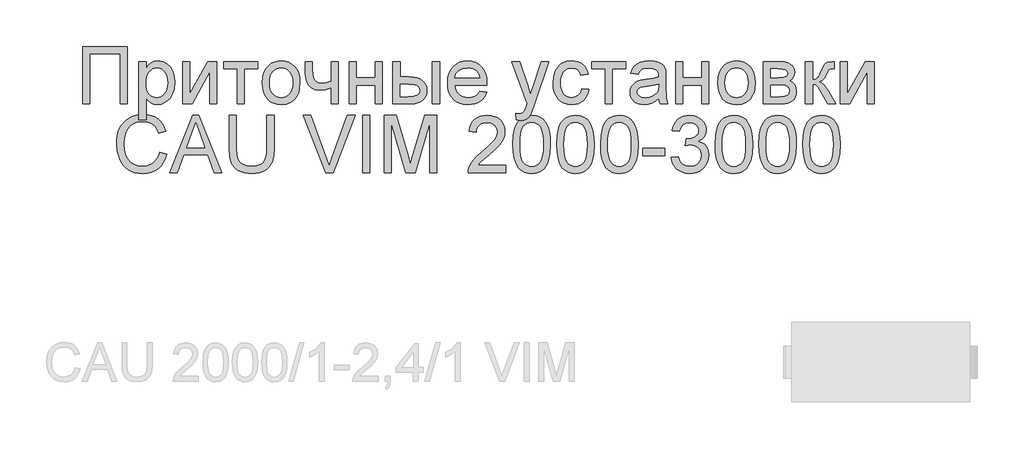
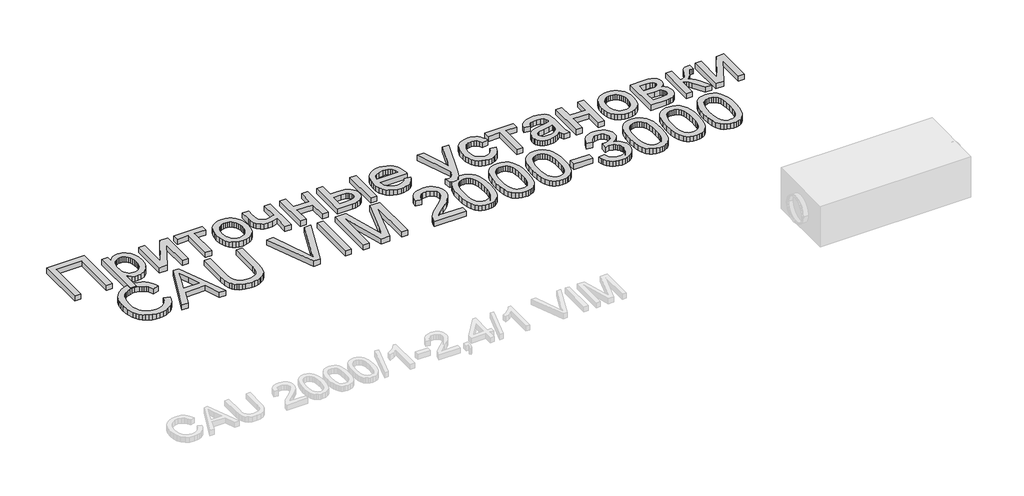
# One storey, part 65 of 74: 1 proxy.
"""IFC4 building model written with IfcOpenShell, lengths in millimetres."""

from ifc_helpers import new_model, si_unit, origin, origin_with_axes, place, context, project, spatial, polyline, outline, extrude, element, save

model = new_model("IFC4")

# Units and contexts
model_context = context("Model", 3, world=origin())
ifc_project = project(units=[si_unit("LENGTHUNIT", "METRE", prefix="MILLI")], contexts=[model_context])

# Site, building, storey
site = spatial("IfcSite", under=ifc_project)
building = spatial("IfcBuilding", under=site)
storey = spatial("IfcBuildingStorey", under=building, Elevation=0.0)

# Proxy
placement = place(None, origin())
element("IfcBuildingElementProxy", 1, Name="Generic Models", at=placement, inside=storey, context=model_context, shape_type="SweptSolid", body=[
    extrude(outline(polyline([(34711.9197938, -1277.4716513), (35063.2136554, -1277.4716513), (35063.2136554, -1727.1277941), (35007.0066376, -1727.1277941), (35007.0066376, -1333.6786691), (34768.1268117, -1333.6786691), (34768.1268117, -1727.1277941), (34711.9197938, -1727.1277941), (34711.9197938, -1277.4716513)])), origin_with_axes(), (0.0, 0.0, 1.0), 50.0),
    extrude(outline(polyline([(35154.5500594, -1853.5935843), (35154.5500594, -1396.9115642), (35210.7570773, -1396.9115642), (35210.7570773, -1452.0207887), (35229.0902257, -1424.8366817), (35249.6189607, -1405.4194624), (35273.550855, -1393.7691308), (35302.0934813, -1389.885687), (35340.1045749, -1395.3197639), (35373.3402676, -1411.6219947), (35400.4008729, -1437.8043653), (35419.8867043, -1472.8788618), (35431.6605376, -1514.2931147), (35435.5851487, -1559.4947545), (35431.1528082, -1607.5643794), (35417.8557866, -1650.5567102), (35396.1194789, -1686.2898827), (35366.36928, -1712.5820326), (35331.7201784, -1728.7607616), (35295.2871627, -1734.1536713), (35269.4478525, -1730.5446758), (35246.3804704, -1719.7176892), (35226.6339131, -1703.3742912), (35210.7570773, -1683.2160614), (35210.7570773, -1853.5935843), (35154.5500594, -1853.5935843)]), holes=[polyline([(35210.7570773, -1564.6543831), (35212.2768349, -1591.7424332), (35216.8361078, -1615.0430964), (35224.4348959, -1634.5563726), (35235.0731993, -1650.2822619), (35247.8796444, -1662.3854332), (35261.982858, -1671.0305556), (35277.3828398, -1676.217629), (35294.0795901, -1677.9466535), (35311.0164826, -1676.1558781), (35326.697774, -1670.7835521), (35341.1234643, -1661.8296753), (35354.2935535, -1649.2942479), (35365.2680561, -1632.9988783), (35373.1069865, -1612.7651752), (35377.8103448, -1588.5931386), (35379.3781308, -1560.4827685), (35377.8480814, -1533.6279995), (35373.2579331, -1510.3685036), (35365.6076859, -1490.7042808), (35354.8973399, -1474.6353311), (35342.0600193, -1462.1479321), (35328.0288484, -1453.2283614), (35312.8038273, -1447.876619), (35296.384956, -1446.0927048), (35280.0175438, -1447.9898289), (35264.6175619, -1453.6812011), (35250.1850104, -1463.1668215), (35236.7198892, -1476.4466901), (35225.361159, -1493.3424153), (35217.2477803, -1513.6756059), (35212.379753, -1537.4462619), (35210.7570773, -1564.6543831)])]), origin_with_axes(), (0.0, 0.0, 1.0), 50.0),
    extrude(outline(polyline([(35498.8180438, -1396.9115642), (35555.0250616, -1396.9115642), (35555.0250616, -1648.7453512), (35693.127461, -1396.9115642), (35765.8013786, -1396.9115642), (35765.8013786, -1727.1277941), (35709.5943607, -1727.1277941), (35709.5943607, -1476.8309177), (35572.370196, -1727.1277941), (35498.8180438, -1727.1277941), (35498.8180438, -1396.9115642)])), origin_with_axes(), (0.0, 0.0, 1.0), 50.0),
    extrude(outline(polyline([(35822.0083964, -1396.9115642), (36088.9917312, -1396.9115642), (36088.9917312, -1453.1185821), (35983.6035727, -1453.1185821), (35983.6035727, -1727.1277941), (35927.3965549, -1727.1277941), (35927.3965549, -1453.1185821), (35822.0083964, -1453.1185821), (35822.0083964, -1396.9115642)])), origin_with_axes(), (0.0, 0.0, 1.0), 50.0),
    extrude(outline(polyline([(36124.1211174, -1562.0196791), (36127.1606326, -1519.2537682), (36136.2791784, -1482.4022188), (36151.4767546, -1451.4650309), (36172.7533613, -1426.4422044), (36194.1740534, -1410.4487281), (36217.817777, -1399.0248163), (36243.6845321, -1392.1704693), (36271.7743186, -1389.885687), (36302.7835492, -1392.6679069), (36330.8218766, -1401.0145667), (36355.8893009, -1414.9256664), (36377.985822, -1434.401206), (36396.0205079, -1458.7825095), (36408.9024263, -1487.4109008), (36416.6315774, -1520.2863801), (36419.2079611, -1557.4089472), (36414.6521188, -1614.1923066), (36408.957316, -1637.4998309), (36400.984592, -1657.4179184), (36378.6033308, -1689.7890989), (36347.9062851, -1714.0091639), (36311.4458246, -1729.1175445), (36271.7743186, -1734.1536713), (36240.3122482, -1731.3817432), (36212.0131949, -1723.0659588), (36186.8771585, -1709.2063182), (36164.9041391, -1689.8028213), (36147.0615671, -1665.1848062), (36134.3168728, -1635.6816107), (36126.6700562, -1601.2932351), (36124.1211174, -1562.0196791)]), holes=[polyline([(36180.3281352, -1561.9098998), (36181.9542416, -1589.1729107), (36186.8325606, -1612.7788977), (36194.9630924, -1632.7278606), (36206.3458369, -1649.0197996), (36220.1917551, -1661.6752981), (36235.7118081, -1670.71494), (36252.9059959, -1676.1387251), (36271.7743186, -1677.9466535), (36290.5465843, -1676.1284333), (36307.6721601, -1670.6737727), (36323.1510458, -1661.5826718), (36336.9832416, -1648.8551306), (36348.3659861, -1632.4019532), (36356.4965178, -1612.1339441), (36361.3748369, -1588.0511032), (36363.0009433, -1560.1534305), (36361.3645451, -1533.7549318), (36356.4553506, -1510.7664536), (36348.2733598, -1491.1879959), (36336.8185726, -1475.0195587), (36322.9349178, -1462.3640602), (36307.4663238, -1453.3244183), (36290.4127907, -1447.9006332), (36271.7743186, -1446.0927048), (36252.9059959, -1447.893772), (36235.7118081, -1453.2969735), (36220.1917551, -1462.3023093), (36206.3458369, -1474.9097794), (36194.9630924, -1491.1536899), (36186.8325606, -1511.0683468), (36181.9542416, -1534.6537501), (36180.3281352, -1561.9098998)])]), origin_with_axes(), (0.0, 0.0, 1.0), 50.0),
    extrude(outline(polyline([(36461.3632245, -1396.9115642), (36517.5702423, -1396.9115642), (36517.5702423, -1460.2542386), (36522.1260846, -1519.6448571), (36529.8792499, -1536.907657), (36544.0270613, -1551.8102013), (36563.5677823, -1562.1020136), (36587.4996767, -1565.5326178), (36621.8880523, -1561.2786687), (36665.1136642, -1548.5168213), (36665.1136642, -1396.9115642), (36721.3206821, -1396.9115642), (36721.3206821, -1727.1277941), (36665.1136642, -1727.1277941), (36665.1136642, -1602.4184732), (36617.1400962, -1616.909345), (36572.4599082, -1621.7396356), (36538.4694826, -1616.7035088), (36508.7330061, -1601.5951282), (36485.5558447, -1579.1864221), (36471.2433643, -1552.2493186), (36463.8332595, -1521.5934402), (36461.3632245, -1488.0284096), (36461.3632245, -1396.9115642)])), origin_with_axes(), (0.0, 0.0, 1.0), 50.0),
    extrude(outline(polyline([(36805.6312088, -1396.9115642), (36861.8382267, -1396.9115642), (36861.8382267, -1523.3773544), (37009.3816486, -1523.3773544), (37009.3816486, -1396.9115642), (37065.5886664, -1396.9115642), (37065.5886664, -1727.1277941), (37009.3816486, -1727.1277941), (37009.3816486, -1579.5843722), (36861.8382267, -1579.5843722), (36861.8382267, -1727.1277941), (36805.6312088, -1727.1277941), (36805.6312088, -1396.9115642)])), origin_with_axes(), (0.0, 0.0, 1.0), 50.0),
    extrude(outline(polyline([(37149.8991932, -1396.9115642), (37206.106211, -1396.9115642), (37206.106211, -1516.3514771), (37275.596528, -1516.3514771), (37307.573189, -1518.1113771), (37335.6595449, -1523.3910768), (37359.8555957, -1532.1905763), (37380.1613415, -1544.5098757), (37396.2268606, -1559.92358), (37407.7022314, -1578.0062943), (37414.5874538, -1598.7580186), (37416.882528, -1622.1787529), (37414.9579591, -1643.0745626), (37409.1842523, -1662.3991556), (37399.5614078, -1680.1525319), (37386.0894254, -1696.3346915), (37368.3909388, -1709.8066739), (37346.0885814, -1719.4295184), (37319.1823533, -1725.2032252), (37287.6722545, -1727.1277941), (37149.8991932, -1727.1277941), (37149.8991932, -1396.9115642)]), holes=[polyline([(37206.106211, -1670.9207762), (37263.8501395, -1670.9207762), (37308.612662, -1667.9704567), (37338.3903058, -1659.1194981), (37355.104209, -1644.0111175), (37360.6755101, -1622.2885323), (37356.5450628, -1603.927939), (37344.1537207, -1587.7080428), (37333.3987768, -1581.0801156), (37317.6557345, -1576.3458819), (37271.2053548, -1572.558495), (37206.106211, -1572.558495), (37206.106211, -1670.9207762)])]), origin_with_axes(), (0.0, 0.0, 1.0), 50.0),
    extrude(outline(polyline([(37459.0377914, -1396.9115642), (37515.2448092, -1396.9115642), (37515.2448092, -1727.1277941), (37459.0377914, -1727.1277941), (37459.0377914, -1396.9115642)])), origin_with_axes(), (0.0, 0.0, 1.0), 50.0),
    extrude(outline(polyline([(37830.7506086, -1628.7655128), (37885.8598332, -1635.7913901), (37877.4102552, -1657.863897), (37866.0034966, -1677.3154223), (37851.6395571, -1694.1459661), (37834.3184369, -1708.3555284), (37814.2185274, -1719.6422159), (37791.51822, -1727.7041356), (37766.2175146, -1732.5412874), (37738.3164113, -1734.1536713), (37703.4408899, -1731.3714514), (37672.3664778, -1723.0247916), (37645.093175, -1709.1136919), (37621.6209817, -1689.6381523), (37602.7457978, -1665.1402083), (37589.2635236, -1636.1618953), (37581.1741591, -1602.7032134), (37578.4777043, -1564.7641624), (37581.201604, -1525.538635), (37589.373303, -1490.9650067), (37602.9928013, -1461.0432776), (37622.060099, -1435.7734476), (37645.4705415, -1415.6975524), (37672.1194743, -1401.3576271), (37702.0068973, -1392.753672), (37735.1328107, -1389.885687), (37767.1918062, -1392.7468108), (37796.1838416, -1401.3301823), (37822.1089169, -1415.6358015), (37844.9670321, -1435.6636683), (37863.6260879, -1460.8786086), (37876.9539849, -1490.745448), (37884.9507231, -1525.2641866), (37887.6163025, -1564.4348244), (37887.2869645, -1579.5843722), (37634.6847222, -1579.5843722), (37637.9403655, -1602.0136619), (37644.4139154, -1621.6573011), (37654.1053721, -1638.5152897), (37667.0147354, -1652.5876278), (37682.4284397, -1663.6822015), (37699.6329193, -1671.6068971), (37718.6281743, -1676.3617144), (37739.4142046, -1677.9466535), (37769.3290725, -1675.0100563), (37794.5234292, -1666.200265), (37814.9972745, -1650.9683827), (37830.7506086, -1628.7655128)]), holes=[polyline([(37634.6847222, -1523.3773544), (37831.4092846, -1523.3773544), (37823.8070659, -1493.6820451), (37808.9045216, -1472.4397444), (37793.5765824, -1460.9129146), (37776.1353911, -1452.6794647), (37756.5809476, -1447.7393948), (37734.913252, -1446.0927048), (37697.0256602, -1451.3483903), (37665.6973834, -1467.1154469), (37653.2408598, -1478.5153443), (37643.9199084, -1491.6922947), (37637.7345292, -1506.6462981), (37634.6847222, -1523.3773544)])]), origin_with_axes(), (0.0, 0.0, 1.0), 50.0),
    extrude(outline(polyline([(38119.4702511, -1853.5935843), (38112.4443739, -1799.4723737), (38140.9870002, -1804.4124436), (38155.9993238, -1802.8618106), (38167.6633778, -1798.2099114), (38184.0204982, -1780.9196666), (38199.3896046, -1739.5328586), (38203.7807779, -1725.9202214), (38084.340865, -1396.9115642), (38143.6217041, -1396.9115642), (38206.9643785, -1580.2430482), (38229.0300242, -1653.5756418), (38251.0956699, -1588.8058361), (38316.1948136, -1396.9115642), (38375.0365354, -1396.9115642), (38260.0975751, -1735.031906), (38230.2375969, -1808.3644996), (38214.9508249, -1831.7749421), (38197.6331353, -1847.9948383), (38177.5160728, -1857.4633057), (38153.831182, -1860.6194615), (38119.4702511, -1853.5935843)])), origin_with_axes(), (0.0, 0.0, 1.0), 50.0),
    extrude(outline(polyline([(38632.359289, -1607.6878812), (38688.5663069, -1614.7137584), (38682.4529703, -1641.2357588), (38672.8953073, -1664.7045216), (38659.8933177, -1685.1200467), (38643.4470015, -1702.4823341), (38624.2493409, -1716.3385441), (38602.9933178, -1726.235837), (38579.6789322, -1732.1742127), (38554.3061842, -1734.1536713), (38522.7823629, -1731.392035), (38494.5176156, -1723.1071261), (38469.5119422, -1709.2989445), (38447.7653427, -1689.9674903), (38430.162913, -1665.4764075), (38417.5897489, -1636.1893402), (38410.0458504, -1602.1062883), (38407.5312176, -1563.2272518), (38411.826334, -1513.2090438), (38424.711683, -1469.8599301), (38434.4271539, -1451.1048174), (38446.3931011, -1434.8540457), (38460.6095245, -1421.107615), (38477.0764243, -1409.8655254), (38513.7838883, -1394.8806466), (38553.5377288, -1389.885687), (38578.4747902, -1391.600989), (38601.0310122, -1396.7468952), (38621.206395, -1405.3234055), (38639.0009386, -1417.3305199), (38654.1127497, -1432.4937901), (38666.2399353, -1450.5387678), (38675.3824953, -1471.4654529), (38681.5404297, -1495.2738454), (38625.3334118, -1502.2997227), (38615.1376564, -1477.7777645), (38599.2608205, -1460.199349), (38578.5811389, -1449.6193659), (38553.9768462, -1446.0927048), (38534.878673, -1447.8285905), (38517.6536098, -1453.0362476), (38502.3016564, -1461.715676), (38488.8228128, -1473.8668758), (38477.8483102, -1489.7711564), (38470.0093798, -1509.7098276), (38465.3060216, -1533.6828891), (38463.7382355, -1561.6903412), (38465.2717155, -1590.1197575), (38469.8721556, -1614.370698), (38477.5395558, -1634.4431627), (38488.2739161, -1650.3371515), (38501.4851726, -1662.4163086), (38516.5832613, -1671.044278), (38533.5681823, -1676.2210596), (38552.4399355, -1677.9466535), (38581.5451809, -1673.6378147), (38605.4084631, -1660.7112984), (38622.7673199, -1638.8377665), (38632.359289, -1607.6878812)])), origin_with_axes(), (0.0, 0.0, 1.0), 50.0),
    extrude(outline(polyline([(38709.6439386, -1396.9115642), (38976.6272734, -1396.9115642), (38976.6272734, -1453.1185821), (38871.2391149, -1453.1185821), (38871.2391149, -1727.1277941), (38815.0320971, -1727.1277941), (38815.0320971, -1453.1185821), (38709.6439386, -1453.1185821), (38709.6439386, -1396.9115642)])), origin_with_axes(), (0.0, 0.0, 1.0), 50.0),
    extrude(outline(polyline([(39236.5847309, -1684.9725307), (39209.7299619, -1707.9987455), (39182.0792927, -1723.0659588), (39153.0014922, -1731.3817432), (39121.8653293, -1734.1536713), (39096.8390722, -1732.4863977), (39074.8934977, -1727.4845769), (39056.0286057, -1719.1482089), (39040.2443961, -1707.4772937), (39027.7810114, -1693.2128418), (39018.8785937, -1677.0958636), (39013.5371431, -1659.1263593), (39011.7566595, -1639.3043287), (39014.4462532, -1616.0036655), (39022.515034, -1594.8436993), (39034.9612658, -1576.7301096), (39050.783212, -1562.5685758), (39069.3770863, -1551.865091), (39090.1391024, -1544.1256481), (39138.7713464, -1535.6726395), (39196.2408265, -1526.7805137), (39236.2553929, -1516.3514771), (39236.5847309, -1503.8366333), (39232.7150095, -1478.752056), (39221.1058452, -1462.3400459), (39195.1430332, -1450.1545401), (39158.9707434, -1446.0927048), (39125.4880472, -1448.7960209), (39102.1050496, -1456.905969), (39086.1596016, -1471.9045702), (39074.9895546, -1495.2738454), (39018.7825368, -1488.2479682), (39028.5391749, -1457.5097553), (39043.0986587, -1433.3583023), (39063.8195076, -1414.8879298), (39092.0602407, -1401.1929581), (39126.599563, -1392.7125048), (39166.2161793, -1389.885687), (39204.2135505, -1392.3831668), (39234.3342546, -1399.8756062), (39257.0448539, -1411.1417101), (39272.8119104, -1424.9601835), (39283.2683918, -1442.044592), (39290.0472655, -1463.1085012), (39292.7917488, -1512.2896419), (39292.7917488, -1582.2190762), (39295.6460114, -1679.8677918), (39306.8435033, -1727.1277941), (39250.6364854, -1727.1277941), (39241.6345802, -1707.587073), (39236.5847309, -1684.9725307)]), holes=[polyline([(39236.5847309, -1572.558495), (39198.8206408, -1581.917183), (39145.9070029, -1589.7938501), (39097.5492073, -1598.9055346), (39084.9657514, -1605.1355117), (39075.6482306, -1613.7257444), (39069.8848157, -1624.0175567), (39067.9636774, -1635.3522728), (39072.1490144, -1652.066176), (39084.7050255, -1665.7611476), (39105.3572623, -1674.900277), (39133.8312764, -1677.9466535), (39164.0205927, -1674.5846614), (39190.6969703, -1664.4986853), (39212.3234986, -1649.6373083), (39227.3632671, -1631.9491135), (39234.0323615, -1613.7257444), (39236.2553929, -1588.4764981), (39236.5847309, -1572.558495)])]), origin_with_axes(), (0.0, 0.0, 1.0), 50.0),
    extrude(outline(polyline([(39370.0763983, -1396.9115642), (39426.2834162, -1396.9115642), (39426.2834162, -1523.3773544), (39573.8268381, -1523.3773544), (39573.8268381, -1396.9115642), (39630.0338559, -1396.9115642), (39630.0338559, -1727.1277941), (39573.8268381, -1727.1277941), (39573.8268381, -1579.5843722), (39426.2834162, -1579.5843722), (39426.2834162, -1727.1277941), (39370.0763983, -1727.1277941), (39370.0763983, -1396.9115642)])), origin_with_axes(), (0.0, 0.0, 1.0), 50.0),
    extrude(outline(polyline([(39700.2926282, -1562.0196791), (39703.3321435, -1519.2537682), (39712.4506892, -1482.4022188), (39727.6482655, -1451.4650309), (39748.9248722, -1426.4422044), (39770.3455643, -1410.4487281), (39793.9892879, -1399.0248163), (39819.8560429, -1392.1704693), (39847.9458294, -1389.885687), (39878.95506, -1392.6679069), (39906.9933875, -1401.0145667), (39932.0608118, -1414.9256664), (39954.1573329, -1434.401206), (39972.1920187, -1458.7825095), (39985.0739372, -1487.4109008), (39992.8030883, -1520.2863801), (39995.3794719, -1557.4089472), (39990.8236297, -1614.1923066), (39985.1288268, -1637.4998309), (39977.1561029, -1657.4179184), (39954.7748416, -1689.7890989), (39924.077796, -1714.0091639), (39887.6173354, -1729.1175445), (39847.9458294, -1734.1536713), (39816.4837591, -1731.3817432), (39788.1847057, -1723.0659588), (39763.0486693, -1709.2063182), (39741.07565, -1689.8028213), (39723.233078, -1665.1848062), (39710.4883837, -1635.6816107), (39702.8415671, -1601.2932351), (39700.2926282, -1562.0196791)]), holes=[polyline([(39756.4996461, -1561.9098998), (39758.1257524, -1589.1729107), (39763.0040715, -1612.7788977), (39771.1346032, -1632.7278606), (39782.5173477, -1649.0197996), (39796.3632659, -1661.6752981), (39811.8833189, -1670.71494), (39829.0775068, -1676.1387251), (39847.9458294, -1677.9466535), (39866.7180951, -1676.1284333), (39883.8436709, -1670.6737727), (39899.3225567, -1661.5826718), (39913.1547525, -1648.8551306), (39924.5374969, -1632.4019532), (39932.6680287, -1612.1339441), (39937.5463477, -1588.0511032), (39939.1724541, -1560.1534305), (39937.5360559, -1533.7549318), (39932.6268614, -1510.7664536), (39924.4448706, -1491.1879959), (39912.9900835, -1475.0195587), (39899.1064286, -1462.3640602), (39883.6378346, -1453.3244183), (39866.5843016, -1447.9006332), (39847.9458294, -1446.0927048), (39829.0775068, -1447.893772), (39811.8833189, -1453.2969735), (39796.3632659, -1462.3023093), (39782.5173477, -1474.9097794), (39771.1346032, -1491.1536899), (39763.0040715, -1511.0683468), (39758.1257524, -1534.6537501), (39756.4996461, -1561.9098998)])]), origin_with_axes(), (0.0, 0.0, 1.0), 50.0),
    extrude(outline(polyline([(40058.612367, -1396.9115642), (40182.4434532, -1396.9115642), (40222.2521834, -1398.7915353), (40250.3419699, -1404.4314484), (40271.0079291, -1415.0800436), (40288.5451774, -1431.9860607), (40300.5248469, -1454.0105391), (40304.5180701, -1480.0145183), (40302.1029248, -1500.9686483), (40294.8574889, -1519.0410708), (40282.7543176, -1534.3141203), (40265.765966, -1546.8701314), (40286.5691494, -1558.5479078), (40303.5300561, -1577.3338959), (40314.8098825, -1601.7460748), (40318.5698246, -1630.3024235), (40315.4479749, -1653.3080547), (40309.0464676, -1673.1438077), (40299.3653028, -1689.8096825), (40286.4044804, -1703.3056791), (40270.1434169, -1713.7278544), (40250.5615286, -1721.1722653), (40227.6588155, -1725.6389119), (40201.4352776, -1727.1277941), (40058.612367, -1727.1277941), (40058.612367, -1396.9115642)]), holes=[polyline([(40114.8193849, -1523.3773544), (40170.3677267, -1523.3773544), (40216.2005977, -1520.5230917), (40238.4858021, -1509.1060412), (40245.8547397, -1499.6650187), (40248.3110523, -1488.4675269), (40244.0022135, -1471.698734), (40231.0756972, -1460.9129146), (40207.7201444, -1455.0671652), (40172.1241961, -1453.1185821), (40114.8193849, -1453.1185821), (40114.8193849, -1523.3773544)]), polyline([(40114.8193849, -1670.9207762), (40183.7608052, -1670.9207762), (40221.3327815, -1668.3821292), (40244.907893, -1660.766188), (40257.559961, -1646.9202698), (40262.3628067, -1625.6916916), (40259.9613839, -1611.6262147), (40252.7571152, -1598.6310863), (40241.6968475, -1588.4627757), (40227.7274276, -1582.8777522), (40178.2718386, -1579.5843722), (40114.8193849, -1579.5843722), (40114.8193849, -1670.9207762)])]), origin_with_axes(), (0.0, 0.0, 1.0), 50.0),
    extrude(outline(polyline([(40388.8285969, -1396.9115642), (40445.0356148, -1396.9115642), (40445.0356148, -1537.4291088), (40467.8971606, -1534.9041842), (40482.6899256, -1527.3294103), (40495.7811109, -1507.5691306), (40513.5379178, -1468.4876885), (40527.8503981, -1436.5281805), (40539.1713917, -1417.7147476), (40549.7376524, -1407.4641025), (40561.7859341, -1401.1929581), (40602.8982938, -1396.9115642), (40613.6566683, -1396.9115642), (40613.6566683, -1453.4479201), (40598.5071205, -1453.1185821), (40580.9424275, -1454.600603), (40571.0622876, -1459.046666), (40551.7411252, -1496.0423008), (40539.871235, -1520.7014832), (40529.0716932, -1536.0568672), (40515.9942303, -1546.3075123), (40497.2905767, -1555.6524779), (40515.1022732, -1563.563451), (40532.7493008, -1577.5260098), (40550.2316594, -1597.5401542), (40567.549349, -1623.6058843), (40627.7084228, -1727.1277941), (40563.8168517, -1727.1277941), (40504.8653506, -1625.8014709), (40488.9473475, -1598.8369225), (40475.224931, -1582.9326418), (40461.3652904, -1575.1520317), (40445.0356148, -1572.558495), (40445.0356148, -1727.1277941), (40388.8285969, -1727.1277941), (40388.8285969, -1396.9115642)])), origin_with_axes(), (0.0, 0.0, 1.0), 50.0),
    extrude(outline(polyline([(40662.8378089, -1396.9115642), (40719.0448268, -1396.9115642), (40719.0448268, -1648.7453512), (40857.1472261, -1396.9115642), (40929.8211437, -1396.9115642), (40929.8211437, -1727.1277941), (40873.6141259, -1727.1277941), (40873.6141259, -1476.8309177), (40736.3899612, -1727.1277941), (40662.8378089, -1727.1277941), (40662.8378089, -1396.9115642)])), origin_with_axes(), (0.0, 0.0, 1.0), 50.0),
    extrude(outline(polyline([(35316.1452358, -2107.7211702), (35372.3522536, -2122.212042), (35361.2302351, -2157.1664674), (35346.4168865, -2187.7091358), (35327.9122079, -2213.8400474), (35305.7161992, -2235.5592021), (35280.3297288, -2252.6333188), (35252.2536647, -2264.8291164), (35221.488007, -2272.146595), (35188.0327556, -2274.5857545), (35153.7575899, -2272.7400895), (35122.837555, -2267.2030944), (35095.2726509, -2257.9747694), (35071.0628776, -2245.0551143), (35049.8754666, -2228.636243), (35031.3776492, -2208.9102693), (35015.5694254, -2185.8771932), (35002.4507953, -2159.5370148), (34984.7900453, -2101.4911932), (34978.9031286, -2039.3286466), (34980.5669716, -2005.4274167), (34985.5585006, -1973.7629407), (34993.8777156, -1944.3352186), (35005.5246166, -1917.1442503), (35020.2384776, -1892.6394451), (35037.7585729, -1871.2702121), (35058.0849023, -1853.0365512), (35081.2174658, -1837.9384625), (35106.3706552, -1826.0994477), (35132.7588621, -1817.6430085), (35160.3820864, -1812.569145), (35189.2403283, -1810.8778572), (35221.3885194, -1813.0665826), (35250.8677006, -1819.6327589), (35277.6778718, -1830.5763861), (35301.819033, -1845.897464), (35322.8932341, -1865.1911816), (35340.502525, -1888.0527274), (35354.6469058, -1914.4821015), (35365.3263764, -1944.4793039), (35309.1193585, -1957.8723824), (35289.6335271, -1916.8835244), (35277.2147402, -1901.2159554), (35263.0120392, -1888.7662931), (35246.9430895, -1879.2806727), (35228.9255567, -1872.5052296), (35187.0447416, -1867.0848751), (35161.8298014, -1868.5874797), (35138.7692805, -1873.0952935), (35117.863179, -1880.6083165), (35099.1114969, -1891.1265487), (35082.7509459, -1904.1765668), (35069.0182376, -1919.2849473), (35057.9133721, -1936.4516903), (35049.4363493, -1955.6767958), (35038.6916972, -1996.8166004), (35035.1101465, -2039.2188672), (35039.3503732, -2091.1444912), (35052.0710532, -2136.0442378), (35061.7316344, -2155.4305817), (35073.7524713, -2172.2028052), (35088.1335637, -2186.3609084), (35104.8749118, -2197.9048913), (35142.1861622, -2213.2602753), (35182.4340097, -2218.3787366), (35206.8702028, -2216.6359898), (35229.3509516, -2211.4077491), (35249.876256, -2202.6940146), (35268.4461161, -2190.4947864), (35284.6214145, -2174.864954), (35297.9630339, -2155.8594072), (35308.4709743, -2133.478146), (35316.1452358, -2107.7211702)])), origin_with_axes(), (0.0, 0.0, 1.0), 50.0),
    extrude(outline(polyline([(35397.2721619, -2267.5598773), (35576.7613693, -1817.9037344), (35624.625158, -1817.9037344), (35804.1143653, -2267.5598773), (35744.7237469, -2267.5598773), (35693.2372403, -2127.0423326), (35508.0395076, -2127.0423326), (35456.6627804, -2267.5598773), (35397.2721619, -2267.5598773)]), holes=[polyline([(35528.678022, -2070.8353148), (35672.7085053, -2070.8353148), (35632.1999318, -1960.2875277), (35600.6932636, -1874.1107523), (35572.699534, -1950.6269465), (35528.678022, -2070.8353148)])]), origin_with_axes(), (0.0, 0.0, 1.0), 50.0),
    extrude(outline(polyline([(36159.2505035, -1817.9037344), (36215.4575214, -1817.9037344), (36215.4575214, -2077.3122954), (36211.6426896, -2138.0614331), (36200.1981943, -2184.8411508), (36191.0384813, -2203.8123916), (36178.8186694, -2220.9311061), (36163.5387587, -2236.1972944), (36145.1987491, -2249.6109565), (36123.778057, -2260.5374306), (36099.2560987, -2268.342055), (36071.6328744, -2273.0248296), (36040.9083839, -2274.5857545), (35983.8368538, -2269.1516776), (35959.5927745, -2262.3590814), (35938.2098191, -2252.8494468), (35919.6845568, -2240.7634285), (35904.0135572, -2226.2416813), (35891.1968203, -2209.2842051), (35881.2343459, -2189.8910001), (35868.4313313, -2141.1352543), (35864.1636598, -2077.3122954), (35864.1636598, -1817.9037344), (35920.3706777, -1817.9037344), (35920.3706777, -2075.3362674), (35923.1426058, -2125.8484824), (35931.4583902, -2161.0190358), (35946.5256035, -2185.376325), (35969.5518183, -2203.4487475), (35999.5764655, -2214.6462394), (36035.638976, -2218.3787366), (36066.6173312, -2216.5330716), (36092.806563, -2210.9960766), (36114.2066715, -2201.7677515), (36130.8176566, -2188.8480964), (36143.2570271, -2170.679617), (36152.1422918, -2145.704819), (36157.4734506, -2113.9237025), (36159.2505035, -2075.3362674), (36159.2505035, -1817.9037344)])), origin_with_axes(), (0.0, 0.0, 1.0), 50.0),
    extrude(outline(polyline([(36622.2997248, -2267.5598773), (36443.3594141, -1817.9037344), (36503.5184879, -1817.9037344), (36623.2877388, -2141.8625424), (36647.5489711, -2214.865798), (36671.4808654, -2141.8625424), (36791.5794544, -1817.9037344), (36851.7385282, -1817.9037344), (36680.3729913, -2267.5598773), (36622.2997248, -2267.5598773)])), origin_with_axes(), (0.0, 0.0, 1.0), 50.0),
    extrude(outline(polyline([(36911.0193673, -2267.5598773), (36911.0193673, -1817.9037344), (36967.2263852, -1817.9037344), (36967.2263852, -2267.5598773), (36911.0193673, -2267.5598773)])), origin_with_axes(), (0.0, 0.0, 1.0), 50.0),
    extrude(outline(polyline([(37079.6404209, -2267.5598773), (37079.6404209, -1817.9037344), (37176.3560121, -1817.9037344), (37268.3510921, -2134.8366652), (37286.9037992, -2201.0336022), (37306.9934169, -2129.3476986), (37397.4515863, -1817.9037344), (37494.1671775, -1817.9037344), (37494.1671775, -2267.5598773), (37437.9601597, -2267.5598773), (37437.9601597, -1874.1107523), (37324.9972273, -2267.5598773), (37248.8103711, -2267.5598773), (37135.8474387, -1874.1107523), (37135.8474387, -2267.5598773), (37079.6404209, -2267.5598773)])), origin_with_axes(), (0.0, 0.0, 1.0), 50.0),
    extrude(outline(polyline([(38035.1597244, -2211.3528594), (38035.1597244, -2267.5598773), (37740.0728806, -2267.5598773), (37741.3078981, -2247.7721527), (37746.1107439, -2228.8077732), (37759.9703845, -2198.5224), (37780.252116, -2169.1427064), (37809.5906425, -2138.3907711), (37850.6206677, -2103.988673), (37911.2737485, -2050.1144659), (37947.665597, -2010.346903), (37965.8615212, -1978.0717795), (37971.9268293, -1946.6748906), (37966.2045816, -1918.5302144), (37949.0378386, -1895.1334943), (37922.6496317, -1879.3664378), (37889.2629925, -1874.1107523), (37854.2022184, -1879.2429361), (37839.6049979, -1885.6581658), (37826.9632217, -1894.6394873), (37816.7365908, -1905.8850076), (37809.3848062, -1919.0928335), (37804.9078678, -1934.2629649), (37803.3057757, -1951.3954018), (37747.0987579, -1944.3695246), (37751.9324791, -1915.353475), (37760.7251174, -1890.0013106), (37773.4766729, -1868.3130313), (37790.1871456, -1850.2886373), (37810.4723077, -1836.1202423), (37833.9479317, -1825.9999602), (37860.6140175, -1819.9277909), (37890.4705651, -1817.9037344), (37920.5946999, -1820.1542107), (37947.404871, -1826.9056397), (37970.9010786, -1838.1580212), (37991.0833227, -1853.9113553), (38007.2929271, -1872.9992366), (38018.871216, -1894.2552597), (38025.8181893, -1917.6794246), (38028.1338471, -1943.2717313), (38025.6363673, -1970.1539452), (38018.1439279, -1996.5695969), (38004.8469064, -2023.4380883), (37984.9356801, -2051.6788214), (37953.1957308, -2085.3947987), (37904.4125402, -2128.6890226), (37839.7525139, -2182.7553435), (37814.3934882, -2211.3528594), (38035.1597244, -2211.3528594)])), origin_with_axes(), (0.0, 0.0, 1.0), 50.0),
    extrude(outline(polyline([(38091.3667422, -2046.3545238), (38095.4971896, -1974.3804494), (38107.8885316, -1916.9795813), (38117.1511627, -1893.524541), (38128.4172667, -1873.2736849), (38141.6868434, -1856.227013), (38156.9598929, -1842.3845254), (38174.2878743, -1831.6741794), (38193.7222466, -1824.0239322), (38215.2630099, -1819.4337839), (38238.9101641, -1817.9037344), (38273.5455432, -1821.5264524), (38304.5582044, -1832.3946062), (38330.4935716, -1850.0828011), (38349.8970685, -1874.165642), (38364.5526092, -1904.4372927), (38376.2441081, -1940.691917), (38383.9012165, -1986.7306243), (38386.4535859, -2046.3545238), (38382.3643058, -2117.9169257), (38370.0964655, -2175.1805696), (38360.9058771, -2198.6459018), (38349.6912322, -2218.9276333), (38336.4525309, -2236.0257642), (38321.1897732, -2249.9402945), (38303.8412082, -2260.7226833), (38284.345085, -2268.4243895), (38262.7014036, -2273.0454132), (38238.9101641, -2274.5857545), (38207.9523925, -2271.9098833), (38180.5075596, -2263.8822697), (38156.5756653, -2250.5029136), (38136.1567096, -2231.7718151), (38116.5610988, -2197.9117525), (38102.564234, -2155.7221831), (38094.1661152, -2105.2031068), (38091.3667422, -2046.3545238)]), holes=[polyline([(38147.5737601, -2046.2447445), (38149.22045, -2095.1068389), (38154.16052, -2134.6582738), (38162.3939698, -2164.8990491), (38173.9207997, -2185.8291648), (38187.8627748, -2200.0696025), (38203.3416606, -2210.2413437), (38220.357457, -2216.3443884), (38238.9101641, -2218.3787366), (38257.4628711, -2216.3375272), (38274.4786676, -2210.2138988), (38289.9575533, -2200.0078516), (38303.8995285, -2185.7193855), (38315.4263583, -2164.7549637), (38323.6598082, -2134.5210496), (38328.5998781, -2095.0176432), (38330.2465681, -2046.2447445), (38328.6547678, -1998.6759878), (38323.8793668, -1959.8209656), (38315.9203653, -1929.6796778), (38304.7777631, -1908.2521245), (38291.0690691, -1893.3152741), (38275.4117919, -1882.6460953), (38257.8059315, -1876.2445881), (38238.2514881, -1874.1107523), (38219.7948379, -1875.9907234), (38203.0672123, -1881.6306365), (38188.0686111, -1891.0304918), (38174.7990343, -1904.1902892), (38162.8879768, -1927.5183972), (38154.3800786, -1958.9701757), (38149.2753397, -1998.5456248), (38147.5737601, -2046.2447445)])]), origin_with_axes(), (0.0, 0.0, 1.0), 50.0),
    extrude(outline(polyline([(38435.6347265, -2046.3545238), (38439.7651739, -1974.3804494), (38452.156516, -1916.9795813), (38461.4191471, -1893.524541), (38472.685251, -1873.2736849), (38485.9548277, -1856.227013), (38501.2278773, -1842.3845254), (38518.5558587, -1831.6741794), (38537.990231, -1824.0239322), (38559.5309942, -1819.4337839), (38583.1781484, -1817.9037344), (38617.8135276, -1821.5264524), (38648.8261888, -1832.3946062), (38674.7615559, -1850.0828011), (38694.1650528, -1874.165642), (38708.8205936, -1904.4372927), (38720.5120924, -1940.691917), (38728.1692008, -1986.7306243), (38730.7215703, -2046.3545238), (38726.6322902, -2117.9169257), (38714.3644498, -2175.1805696), (38705.1738614, -2198.6459018), (38693.9592166, -2218.9276333), (38680.7205153, -2236.0257642), (38665.4577576, -2249.9402945), (38648.1091925, -2260.7226833), (38628.6130693, -2268.4243895), (38606.969388, -2273.0454132), (38583.1781484, -2274.5857545), (38552.2203769, -2271.9098833), (38524.7755439, -2263.8822697), (38500.8436496, -2250.5029136), (38480.4246939, -2231.7718151), (38460.8290832, -2197.9117525), (38446.8322184, -2155.7221831), (38438.4340995, -2105.2031068), (38435.6347265, -2046.3545238)]), holes=[polyline([(38491.8417444, -2046.2447445), (38493.4884344, -2095.1068389), (38498.4285043, -2134.6582738), (38506.6619542, -2164.8990491), (38518.188784, -2185.8291648), (38532.1307592, -2200.0696025), (38547.6096449, -2210.2413437), (38564.6254413, -2216.3443884), (38583.1781484, -2218.3787366), (38601.7308555, -2216.3375272), (38618.7466519, -2210.2138988), (38634.2255377, -2200.0078516), (38648.1675128, -2185.7193855), (38659.6943426, -2164.7549637), (38667.9277925, -2134.5210496), (38672.8678624, -2095.0176432), (38674.5145524, -2046.2447445), (38672.9227521, -1998.6759878), (38668.1473512, -1959.8209656), (38660.1883496, -1929.6796778), (38649.0457475, -1908.2521245), (38635.3370534, -1893.3152741), (38619.6797762, -1882.6460953), (38602.0739159, -1876.2445881), (38582.5194724, -1874.1107523), (38564.0628223, -1875.9907234), (38547.3351966, -1881.6306365), (38532.3365954, -1891.0304918), (38519.0670187, -1904.1902892), (38507.1559612, -1927.5183972), (38498.648063, -1958.9701757), (38493.543324, -1998.5456248), (38491.8417444, -2046.2447445)])]), origin_with_axes(), (0.0, 0.0, 1.0), 50.0),
    extrude(outline(polyline([(38779.9027109, -2046.3545238), (38784.0331583, -1974.3804494), (38796.4245003, -1916.9795813), (38805.6871314, -1893.524541), (38816.9532354, -1873.2736849), (38830.2228121, -1856.227013), (38845.4958616, -1842.3845254), (38862.823843, -1831.6741794), (38882.2582153, -1824.0239322), (38903.7989786, -1819.4337839), (38927.4461328, -1817.9037344), (38962.0815119, -1821.5264524), (38993.0941731, -1832.3946062), (39019.0295403, -1850.0828011), (39038.4330371, -1874.165642), (39053.0885779, -1904.4372927), (39064.7800768, -1940.691917), (39072.4371852, -1986.7306243), (39074.9895546, -2046.3545238), (39070.9002745, -2117.9169257), (39058.6324342, -2175.1805696), (39049.4418458, -2198.6459018), (39038.2272009, -2218.9276333), (39024.9884996, -2236.0257642), (39009.7257419, -2249.9402945), (38992.3771769, -2260.7226833), (38972.8810537, -2268.4243895), (38951.2373723, -2273.0454132), (38927.4461328, -2274.5857545), (38896.4883612, -2271.9098833), (38869.0435283, -2263.8822697), (38845.1116339, -2250.5029136), (38824.6926782, -2231.7718151), (38805.0970675, -2197.9117525), (38791.1002027, -2155.7221831), (38782.7020839, -2105.2031068), (38779.9027109, -2046.3545238)]), holes=[polyline([(38836.1097287, -2046.2447445), (38837.7564187, -2095.1068389), (38842.6964887, -2134.6582738), (38850.9299385, -2164.8990491), (38862.4567684, -2185.8291648), (38876.3987435, -2200.0696025), (38891.8776293, -2210.2413437), (38908.8934257, -2216.3443884), (38927.4461328, -2218.3787366), (38945.9988398, -2216.3375272), (38963.0146362, -2210.2138988), (38978.493522, -2200.0078516), (38992.4354971, -2185.7193855), (39003.962327, -2164.7549637), (39012.1957769, -2134.5210496), (39017.1358468, -2095.0176432), (39018.7825368, -2046.2447445), (39017.1907365, -1998.6759878), (39012.4153355, -1959.8209656), (39004.456334, -1929.6796778), (38993.3137318, -1908.2521245), (38979.6050378, -1893.3152741), (38963.9477606, -1882.6460953), (38946.3419002, -1876.2445881), (38926.7874568, -1874.1107523), (38908.3308066, -1875.9907234), (38891.6031809, -1881.6306365), (38876.6045797, -1891.0304918), (38863.335003, -1904.1902892), (38851.4239455, -1927.5183972), (38842.9160473, -1958.9701757), (38837.8113084, -1998.5456248), (38836.1097287, -2046.2447445)])]), origin_with_axes(), (0.0, 0.0, 1.0), 50.0),
    extrude(outline(polyline([(39110.1189408, -2134.0682099), (39110.1189408, -2077.861192), (39285.7658716, -2077.861192), (39285.7658716, -2134.0682099), (39110.1189408, -2134.0682099)])), origin_with_axes(), (0.0, 0.0, 1.0), 50.0),
    extrude(outline(polyline([(39334.9470122, -2148.1199643), (39391.15403, -2141.0940871), (39403.7374859, -2176.4155871), (39422.1666913, -2200.2651469), (39447.3473255, -2213.8503392), (39480.1850681, -2218.3787366), (39500.5491341, -2216.8212424), (39518.7176135, -2212.1487596), (39534.6905063, -2204.3612882), (39548.4678124, -2193.4588283), (39559.5623861, -2180.2578637), (39567.4870816, -2165.5748781), (39572.241899, -2149.4098715), (39573.8268381, -2131.7628439), (39572.2556214, -2114.9563143), (39567.5419713, -2099.6661118), (39559.6858879, -2085.8922363), (39548.6873711, -2073.6346877), (39535.2668478, -2063.5727259), (39520.1447448, -2056.3856102), (39484.7958, -2050.6359177), (39445.3850199, -2056.7835603), (39451.6424418, -2000.5765425), (39460.644347, -2001.2352185), (39494.319157, -1997.200828), (39524.4261388, -1985.0976567), (39536.8174808, -1975.9448049), (39545.6684395, -1964.6238113), (39550.9790146, -1951.1346759), (39552.7492064, -1935.4773987), (39547.6170226, -1911.202444), (39532.2204713, -1891.5107764), (39508.7276943, -1878.4607583), (39479.3068334, -1874.1107523), (39449.8310829, -1878.5019256), (39425.7345195, -1891.6754454), (39408.1423816, -1913.6313117), (39398.1799073, -1944.3695246), (39341.9728894, -1937.3436474), (39348.6351226, -1910.509462), (39358.5221237, -1886.8725996), (39371.6338926, -1866.4330603), (39387.9704294, -1849.190844), (39407.0171435, -1835.5027336), (39428.2594442, -1825.7255118), (39451.6973315, -1819.8591788), (39477.3308055, -1817.9037344), (39512.6660279, -1821.7597335), (39545.1195428, -1833.3277306), (39572.4820412, -1851.5785445), (39592.5442141, -1875.4829939), (39604.8532217, -1903.0238838), (39608.9562242, -1932.1840188), (39605.0590579, -1959.3544034), (39593.3675591, -1983.9998634), (39574.0463967, -2004.9951606), (39547.2602398, -2021.2150568), (39582.4445156, -2035.4314803), (39596.6197718, -2046.2859117), (39608.5171069, -2059.6378229), (39617.9306846, -2075.157876), (39624.6546687, -2092.5167328), (39630.0338559, -2132.7508579), (39627.3442623, -2161.2660393), (39619.2754814, -2187.5307444), (39605.8275133, -2211.5449732), (39587.0003579, -2233.3087258), (39564.0633387, -2251.3674258), (39538.2857794, -2264.2664973), (39509.6676799, -2272.0059402), (39478.2090401, -2274.5857545), (39449.7761932, -2272.3833067), (39423.8682709, -2265.7759631), (39400.4852732, -2254.7637239), (39379.6272002, -2239.346589), (39362.1379804, -2220.4302379), (39348.8615425, -2198.9203501), (39339.7978864, -2174.8169256), (39334.9470122, -2148.1199643)])), origin_with_axes(), (0.0, 0.0, 1.0), 50.0),
    extrude(outline(polyline([(39679.2149965, -2046.3545238), (39683.3454439, -1974.3804494), (39695.736786, -1916.9795813), (39704.9994171, -1893.524541), (39716.265521, -1873.2736849), (39729.5350977, -1856.227013), (39744.8081472, -1842.3845254), (39762.1361286, -1831.6741794), (39781.570501, -1824.0239322), (39803.1112642, -1819.4337839), (39826.7584184, -1817.9037344), (39861.3937976, -1821.5264524), (39892.4064588, -1832.3946062), (39918.3418259, -1850.0828011), (39937.7453228, -1874.165642), (39952.4008636, -1904.4372927), (39964.0923624, -1940.691917), (39971.7494708, -1986.7306243), (39974.3018403, -2046.3545238), (39970.2125601, -2117.9169257), (39957.9447198, -2175.1805696), (39948.7541314, -2198.6459018), (39937.5394865, -2218.9276333), (39924.3007852, -2236.0257642), (39909.0380275, -2249.9402945), (39891.6894625, -2260.7226833), (39872.1933393, -2268.4243895), (39850.5496579, -2273.0454132), (39826.7584184, -2274.5857545), (39795.8006468, -2271.9098833), (39768.3558139, -2263.8822697), (39744.4239196, -2250.5029136), (39724.0049639, -2231.7718151), (39704.4093532, -2197.9117525), (39690.4124884, -2155.7221831), (39682.0143695, -2105.2031068), (39679.2149965, -2046.3545238)]), holes=[polyline([(39735.4220144, -2046.2447445), (39737.0687044, -2095.1068389), (39742.0087743, -2134.6582738), (39750.2422242, -2164.8990491), (39761.769054, -2185.8291648), (39775.7110291, -2200.0696025), (39791.1899149, -2210.2413437), (39808.2057113, -2216.3443884), (39826.7584184, -2218.3787366), (39845.3111255, -2216.3375272), (39862.3269219, -2210.2138988), (39877.8058077, -2200.0078516), (39891.7477828, -2185.7193855), (39903.2746126, -2164.7549637), (39911.5080625, -2134.5210496), (39916.4481324, -2095.0176432), (39918.0948224, -2046.2447445), (39916.5030221, -1998.6759878), (39911.7276212, -1959.8209656), (39903.7686196, -1929.6796778), (39892.6260174, -1908.2521245), (39878.9173234, -1893.3152741), (39863.2600462, -1882.6460953), (39845.6541859, -1876.2445881), (39826.0997424, -1874.1107523), (39807.6430923, -1875.9907234), (39790.9154666, -1881.6306365), (39775.9168654, -1891.0304918), (39762.6472887, -1904.1902892), (39750.7362312, -1927.5183972), (39742.2283329, -1958.9701757), (39737.123594, -1998.5456248), (39735.4220144, -2046.2447445)])]), origin_with_axes(), (0.0, 0.0, 1.0), 50.0),
    extrude(outline(polyline([(40023.4829809, -2046.3545238), (40027.6134282, -1974.3804494), (40040.0047703, -1916.9795813), (40049.2674014, -1893.524541), (40060.5335053, -1873.2736849), (40073.8030821, -1856.227013), (40089.0761316, -1842.3845254), (40106.404113, -1831.6741794), (40125.8384853, -1824.0239322), (40147.3792486, -1819.4337839), (40171.0264027, -1817.9037344), (40205.6617819, -1821.5264524), (40236.6744431, -1832.3946062), (40262.6098102, -1850.0828011), (40282.0133071, -1874.165642), (40296.6688479, -1904.4372927), (40308.3603467, -1940.691917), (40316.0174551, -1986.7306243), (40318.5698246, -2046.3545238), (40314.4805445, -2117.9169257), (40302.2127042, -2175.1805696), (40293.0221157, -2198.6459018), (40281.8074709, -2218.9276333), (40268.5687696, -2236.0257642), (40253.3060119, -2249.9402945), (40235.9574469, -2260.7226833), (40216.4613237, -2268.4243895), (40194.8176423, -2273.0454132), (40171.0264027, -2274.5857545), (40140.0686312, -2271.9098833), (40112.6237982, -2263.8822697), (40088.6919039, -2250.5029136), (40068.2729482, -2231.7718151), (40048.6773375, -2197.9117525), (40034.6804727, -2155.7221831), (40026.2823538, -2105.2031068), (40023.4829809, -2046.3545238)]), holes=[polyline([(40079.6899987, -2046.2447445), (40081.3366887, -2095.1068389), (40086.2767586, -2134.6582738), (40094.5102085, -2164.8990491), (40106.0370383, -2185.8291648), (40119.9790135, -2200.0696025), (40135.4578993, -2210.2413437), (40152.4736957, -2216.3443884), (40171.0264027, -2218.3787366), (40189.5791098, -2216.3375272), (40206.5949062, -2210.2138988), (40222.073792, -2200.0078516), (40236.0157671, -2185.7193855), (40247.542597, -2164.7549637), (40255.7760468, -2134.5210496), (40260.7161168, -2095.0176432), (40262.3628067, -2046.2447445), (40260.7710064, -1998.6759878), (40255.9956055, -1959.8209656), (40248.036604, -1929.6796778), (40236.8940018, -1908.2521245), (40223.1853077, -1893.3152741), (40207.5280305, -1882.6460953), (40189.9221702, -1876.2445881), (40170.3677267, -1874.1107523), (40151.9110766, -1875.9907234), (40135.1834509, -1881.6306365), (40120.1848497, -1891.0304918), (40106.915273, -1904.1902892), (40095.0042155, -1927.5183972), (40086.4963173, -1958.9701757), (40081.3915784, -1998.5456248), (40079.6899987, -2046.2447445)])]), origin_with_axes(), (0.0, 0.0, 1.0), 50.0),
    extrude(outline(polyline([(40367.7509652, -2046.3545238), (40371.8814126, -1974.3804494), (40384.2727546, -1916.9795813), (40393.5353858, -1893.524541), (40404.8014897, -1873.2736849), (40418.0710664, -1856.227013), (40433.3441159, -1842.3845254), (40450.6720973, -1831.6741794), (40470.1064697, -1824.0239322), (40491.6472329, -1819.4337839), (40515.2943871, -1817.9037344), (40549.9297662, -1821.5264524), (40580.9424275, -1832.3946062), (40606.8777946, -1850.0828011), (40626.2812915, -1874.165642), (40640.9368323, -1904.4372927), (40652.6283311, -1940.691917), (40660.2854395, -1986.7306243), (40662.8378089, -2046.3545238), (40658.7485288, -2117.9169257), (40646.4806885, -2175.1805696), (40637.2901001, -2198.6459018), (40626.0754552, -2218.9276333), (40612.8367539, -2236.0257642), (40597.5739962, -2249.9402945), (40580.2254312, -2260.7226833), (40560.729308, -2268.4243895), (40539.0856266, -2273.0454132), (40515.2943871, -2274.5857545), (40484.3366155, -2271.9098833), (40456.8917826, -2263.8822697), (40432.9598883, -2250.5029136), (40412.5409326, -2231.7718151), (40392.9453219, -2197.9117525), (40378.9484571, -2155.7221831), (40370.5503382, -2105.2031068), (40367.7509652, -2046.3545238)]), holes=[polyline([(40423.9579831, -2046.2447445), (40425.604673, -2095.1068389), (40430.544743, -2134.6582738), (40438.7781929, -2164.8990491), (40450.3050227, -2185.8291648), (40464.2469978, -2200.0696025), (40479.7258836, -2210.2413437), (40496.74168, -2216.3443884), (40515.2943871, -2218.3787366), (40533.8470941, -2216.3375272), (40550.8628906, -2210.2138988), (40566.3417763, -2200.0078516), (40580.2837515, -2185.7193855), (40591.8105813, -2164.7549637), (40600.0440312, -2134.5210496), (40604.9841011, -2095.0176432), (40606.6307911, -2046.2447445), (40605.0389908, -1998.6759878), (40600.2635898, -1959.8209656), (40592.3045883, -1929.6796778), (40581.1619861, -1908.2521245), (40567.4532921, -1893.3152741), (40551.7960149, -1882.6460953), (40534.1901546, -1876.2445881), (40514.6357111, -1874.1107523), (40496.1790609, -1875.9907234), (40479.4514353, -1881.6306365), (40464.4528341, -1891.0304918), (40451.1832573, -1904.1902892), (40439.2721998, -1927.5183972), (40430.7643016, -1958.9701757), (40425.6595627, -1998.5456248), (40423.9579831, -2046.2447445)])]), origin_with_axes(), (0.0, 0.0, 1.0), 50.0),
])

save(model, "model.ifc")
